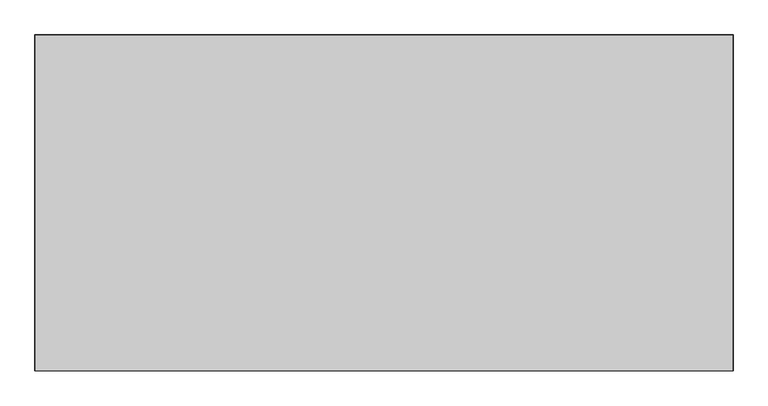
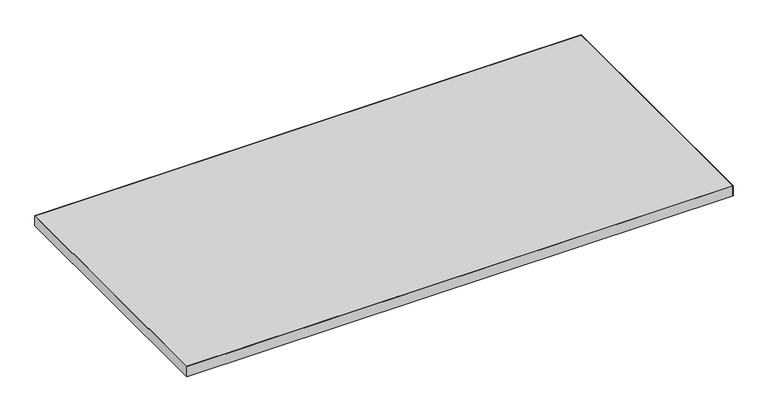
"""IFC4 building model written with IfcOpenShell, lengths in millimetres: furniture geometry."""

from ifc_helpers import new_model, si_unit, frame, origin, place, context, project, spatial, polyline, outline, extrude, source, transform, mapped, element, save


def furniture_ba9a7763(model_context):
    return source(origin(), model_context, "Body", "SweptSolid", [
        extrude(outline(polyline([(1522.984, -1.016), (1522.984, -732.5359908), (1.016, -732.5359908), (1.016, -1.016), (1522.984, -1.016)])), frame((0.0, 0.0, 697.2297529), z_axis=(0.0, 0.0, 1.0), x_axis=(1.0, 0.0, 0.0)), (0.0, 0.0, 1.0), 29.972),
        extrude(outline(polyline([(1524.0, -733.5519908), (0.0, -733.5519908), (0.0, 0.0), (1524.0, 0.0), (1524.0, -733.5519908)]), holes=[polyline([(1522.984, -1.016), (1.016, -1.016), (1.016, -732.5359908), (1522.984, -732.5359908), (1522.984, -1.016)])]), frame((0.0, 0.0, 697.2297529), z_axis=(0.0, 0.0, 1.0), x_axis=(1.0, 0.0, 0.0)), (0.0, 0.0, 1.0), 29.972),
    ])


if __name__ == "__main__":
    model = new_model("IFC4")
    model_context = context("Model", 3, world=origin())
    ifc_project = project(units=[si_unit("LENGTHUNIT", "METRE", prefix="MILLI")], contexts=[model_context])
    site = spatial("IfcSite", under=ifc_project)
    building = spatial("IfcBuilding", under=site)
    placement = place(None, origin())
    furniture_shape = furniture_ba9a7763(model_context)
    element("IfcFurniture", 1, at=placement, inside=building, context=model_context, shape_type="MappedRepresentation", body=[
        mapped(furniture_shape, transform((0.0, 0.0, 0.0), x_axis=(1.0, 0.0, 0.0), y_axis=(0.0, 1.0, 0.0), z_axis=(0.0, 0.0, 1.0))),
    ])
    save(model, "model.ifc")
